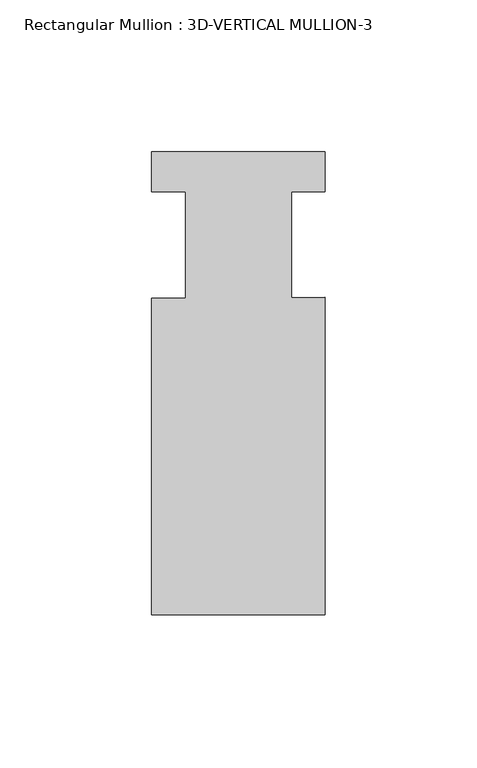
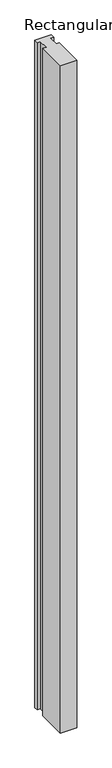
"""IFC4 building model written with IfcOpenShell, lengths in millimetres: member geometry, Rectangular Mullion : 3D-VERTICAL MULLION-3."""

import ifcopenshell
import ifcopenshell.guid

model = None  # the IFC model being written
_history = None  # IfcOwnerHistory: only IFC2X3 demands one
_inside = {}  # id of a spatial element -> (the spatial element, [elements in it])
_under = {}  # id of a project, library or spatial element -> (it, [spatial elements below it])
_declared = {}  # id of a project -> (the project, [libraries it declares])
_typed = {}  # id of a type object -> (the type object, [elements of that type])
_made_of = {}  # id of a material, layer set ... -> (it, [elements and type objects made of it])


def new_model(schema):
    """Start an empty IFC model of exactly this schema.

    Asked for "IFC4X3", IfcOpenShell would pick the latest addendum, in which some entities
    have other attributes; the version numbers below select the first issue.
    IFC2X3 requires an IfcOwnerHistory on every rooted entity: one is made here for all.
    """
    global model, _history
    if schema == "IFC4X3":
        model = ifcopenshell.file(schema_version=(4, 3, 0, 0))
    else:
        model = ifcopenshell.file(schema=schema)
    _inside.clear()
    _under.clear()
    _declared.clear()
    _typed.clear()
    _made_of.clear()
    _history = None
    if model.schema == "IFC2X3":
        org = make("IfcOrganization", Name="unknown")
        user = make(
            "IfcPersonAndOrganization",
            ThePerson=make("IfcPerson", FamilyName="unknown"),
            TheOrganization=org,
        )
        app = make(
            "IfcApplication",
            ApplicationDeveloper=org,
            Version="unknown",
            ApplicationFullName="unknown",
            ApplicationIdentifier="unknown",
        )
        _history = make(
            "IfcOwnerHistory",
            OwningUser=user,
            OwningApplication=app,
            ChangeAction="ADDED",
            CreationDate=0,
        )
    return model


def make(cls, **values):
    """One entity of the class cls with the attributes given. An attribute that is None is left unset."""
    return model.create_entity(
        cls, **{name: value for name, value in values.items() if value is not None}
    )


def rooted(cls, **values):
    """An entity with a GlobalId (a new one), such as an element, a storey or a relation."""
    return make(cls, GlobalId=ifcopenshell.guid.new(), OwnerHistory=_history, **values)


def si_unit(unit_type, name, prefix=None):
    """IfcSIUnit, for example si_unit("LENGTHUNIT", "METRE", prefix="MILLI")."""
    return make("IfcSIUnit", UnitType=unit_type, Prefix=prefix, Name=name)


def assignment(units):
    """IfcUnitAssignment: the units of a project."""
    return None if units is None else make("IfcUnitAssignment", Units=units)


def point(xyz):
    """IfcCartesianPoint."""
    return None if xyz is None else make("IfcCartesianPoint", Coordinates=xyz)


def direction(xyz):
    """IfcDirection."""
    return None if xyz is None else make("IfcDirection", DirectionRatios=xyz)


def frame(location, z_axis=None, x_axis=None):
    """IfcAxis2Placement3D, a coordinate frame: its origin and axes. An axis left out is left unset."""
    return make(
        "IfcAxis2Placement3D",
        Location=point(location),
        Axis=direction(z_axis),
        RefDirection=direction(x_axis),
    )


def origin():
    """The frame at (0, 0, 0) with its axes left unset."""
    return frame((0.0, 0.0, 0.0))


def place(relative_to, where):
    """IfcLocalPlacement: puts the frame where relative to a parent placement (None: the world)."""
    return make(
        "IfcLocalPlacement", PlacementRelTo=relative_to, RelativePlacement=where
    )


def context(
    kind, dimensions, precision=None, world=None, true_north=None, identifier=None
):
    """IfcGeometricRepresentationContext, for example the 3D "Model" context."""
    return make(
        "IfcGeometricRepresentationContext",
        ContextIdentifier=identifier,
        ContextType=kind,
        CoordinateSpaceDimension=dimensions,
        Precision=precision,
        WorldCoordinateSystem=world,
        TrueNorth=true_north,
    )


def project(units=None, contexts=None):
    """IfcProject with its units and contexts."""
    return rooted(
        "IfcProject",
        Name="project",
        RepresentationContexts=contexts,
        UnitsInContext=assignment(units),
    )


def spatial(cls, under=None, at=None, **own):
    """A site, building, storey or space (cls), placed at a placement, below another one or the project."""
    s = rooted(cls, ObjectPlacement=at, **own)
    if under is not None:
        _under.setdefault(under.id(), (under, []))[1].append(s)
    return s


def polyline(points):
    """IfcPolyline through the points."""
    return make("IfcPolyline", Points=[point(p) for p in points])


def outline(outer, holes=None, kind="AREA"):
    """IfcArbitraryClosedProfileDef: a profile drawn as a closed curve; with holes, ...WithVoids."""
    if holes is None:
        return make("IfcArbitraryClosedProfileDef", ProfileType=kind, OuterCurve=outer)
    return make(
        "IfcArbitraryProfileDefWithVoids",
        ProfileType=kind,
        OuterCurve=outer,
        InnerCurves=holes,
    )


def extrude(swept, where, along, depth):
    """IfcExtrudedAreaSolid: the profile swept, set in the frame where, extruded along a direction by depth."""
    return make(
        "IfcExtrudedAreaSolid",
        SweptArea=swept,
        Position=where,
        ExtrudedDirection=direction(along),
        Depth=depth,
    )


def shape(context_of_items, identifier, shape_type, items):
    """IfcShapeRepresentation: the items that make up one representation, for example the "Body"."""
    return make(
        "IfcShapeRepresentation",
        ContextOfItems=context_of_items,
        RepresentationIdentifier=identifier,
        RepresentationType=shape_type,
        Items=items,
    )


def source(mapping_origin, context_of_items, identifier, shape_type, items):
    """IfcRepresentationMap: a shape defined once, which mapped items show again and again."""
    return make(
        "IfcRepresentationMap",
        MappingOrigin=mapping_origin,
        MappedRepresentation=shape(context_of_items, identifier, shape_type, items),
    )


def transform(
    local_origin,
    x_axis=None,
    y_axis=None,
    z_axis=None,
    scale=None,
    scale2=None,
    scale3=None,
    uniform=True,
):
    """IfcCartesianTransformationOperator3D, or its non-uniform kind. x_axis, y_axis, z_axis: its Axis1, 2, 3."""
    if uniform:
        return make(
            "IfcCartesianTransformationOperator3D",
            Axis1=direction(x_axis),
            Axis2=direction(y_axis),
            LocalOrigin=point(local_origin),
            Scale=scale,
            Axis3=direction(z_axis),
        )
    return make(
        "IfcCartesianTransformationOperator3DnonUniform",
        Axis1=direction(x_axis),
        Axis2=direction(y_axis),
        LocalOrigin=point(local_origin),
        Scale=scale,
        Axis3=direction(z_axis),
        Scale2=scale2,
        Scale3=scale3,
    )


def mapped(mapping_source, mapping_target):
    """IfcMappedItem: shows the shape of a source again, moved by a transform."""
    return make(
        "IfcMappedItem", MappingSource=mapping_source, MappingTarget=mapping_target
    )


def made_of(thing, what):
    """Note that an element or type object is made of a material, layer set ...; save() writes the relation."""
    if what is not None:
        _made_of.setdefault(what.id(), (what, []))[1].append(thing)
    return thing


def element(
    cls,
    number,
    at=None,
    inside=None,
    cuts=None,
    type_object=None,
    material=None,
    context=None,
    identifier="Body",
    shape_type=None,
    held_by="IfcProductDefinitionShape",
    body=None,
    shapes=None,
    **own,
):
    """One element of the class cls, such as IfcWall. Its Tag is "e" and its number.

    at: its placement. inside: the storey or other place that contains it. cuts: it is an
    opening in that element (IfcRelVoidsElement). A single representation is given by context,
    identifier, shape_type and body (its items); several are given by shapes. held_by: the class
    of the entity that holds the representations. save() writes the other relations.
    """
    e = rooted(cls, Tag="e%d" % number, ObjectPlacement=at, **own)
    if body is not None:
        shapes = [shape(context, identifier, shape_type, body)]
    if shapes is not None:
        e.Representation = make(held_by, Representations=shapes)
    if inside is not None:
        _inside.setdefault(inside.id(), (inside, []))[1].append(e)
    if cuts is not None:
        rooted(
            "IfcRelVoidsElement", RelatingBuildingElement=cuts, RelatedOpeningElement=e
        )
    if type_object is not None:
        _typed.setdefault(type_object.id(), (type_object, []))[1].append(e)
    return made_of(e, material)


def aggregate(whole, parts):
    """IfcRelAggregates: a whole, such as a stair, and the parts it consists of."""
    return rooted("IfcRelAggregates", RelatingObject=whole, RelatedObjects=parts)


def save(model, path):
    """Write the relations noted so far, then the file.

    IfcRelAggregates (storeys below a building ...), IfcRelContainedInSpatialStructure (elements
    in a storey), IfcRelDefinesByType, IfcRelAssociatesMaterial and IfcRelDeclares: one each for
    every whole, place, type object, material and project.
    """
    for whole, parts in _under.values():
        aggregate(whole, parts)
    for where, things in _inside.values():
        rooted(
            "IfcRelContainedInSpatialStructure",
            RelatedElements=things,
            RelatingStructure=where,
        )
    for kind, things in _typed.values():
        rooted("IfcRelDefinesByType", RelatedObjects=things, RelatingType=kind)
    for what, things in _made_of.values():
        rooted("IfcRelAssociatesMaterial", RelatedObjects=things, RelatingMaterial=what)
    for by, libraries in _declared.values():
        rooted("IfcRelDeclares", RelatingContext=by, RelatedDefinitions=libraries)
    model.write(path)


def rectangular_mullion_3d_vertical_mullion_3_f3ccf7ab(model_context):
    return source(origin(), model_context, "Body", "SweptSolid", [
        extrude(outline(polyline([(28.575, -145.25625), (-28.575, -145.25625), (-28.575, -41.01465), (-17.4625, -41.01465), (-17.4625, -6.05155), (-28.575, -6.05155), (-28.575, 7.14375), (28.575, 7.14375), (28.575, -6.05155), (17.4625, -6.05155), (17.4625, -40.8917429), (28.575, -40.7864111), (28.575, -145.25625)])), frame((0.0, 0.0, -2438.4), z_axis=(0.0, 0.0, 1.0), x_axis=(1.0, 0.0, 0.0)), (0.0, 0.0, 1.0), 2438.4),
    ])


if __name__ == "__main__":
    model = new_model("IFC4")
    model_context = context("Model", 3, world=origin())
    ifc_project = project(units=[si_unit("LENGTHUNIT", "METRE", prefix="MILLI")], contexts=[model_context])
    site = spatial("IfcSite", under=ifc_project)
    building = spatial("IfcBuilding", under=site)
    placement = place(None, origin())
    rectangular_mullion_3d_vertical_mullion_3_shape = rectangular_mullion_3d_vertical_mullion_3_f3ccf7ab(model_context)
    element("IfcMember", 1, ObjectType="Rectangular Mullion : 3D-VERTICAL MULLION-3", at=placement, inside=building, context=model_context, shape_type="MappedRepresentation", body=[
        mapped(rectangular_mullion_3d_vertical_mullion_3_shape, transform((0.0, 0.0, 0.0), x_axis=(1.0, 0.0, 0.0), y_axis=(0.0, 1.0, 0.0), z_axis=(0.0, 0.0, 1.0))),
    ])
    save(model, "model.ifc")
